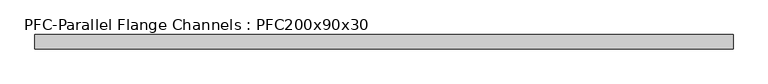
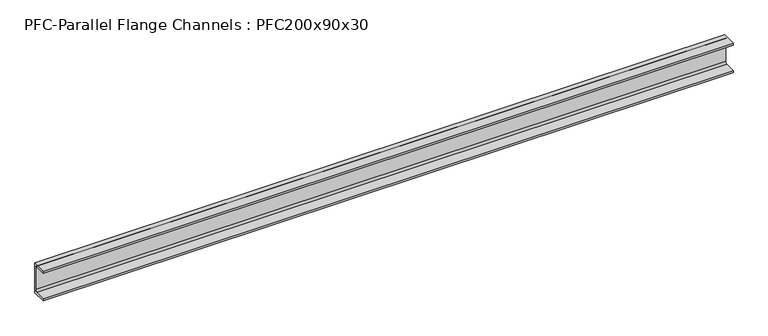
"""IFC4 building model written with IfcOpenShell, lengths in millimetres: beam geometry, PFC-Parallel Flange Channels : PFC200x90x30."""

from ifc_helpers import new_model, si_unit, point, frame, frame_2d, origin, place, context, project, spatial, polyline, circle_curve, trimmed, segment, composite_curve, outline, extrude, source, transform, mapped, element, save


def pfc_parallel_flange_channels_pfc200x90x30_b747713b(model_context):
    return source(origin(), model_context, "Body", "SweptSolid", [
        extrude(outline(composite_curve([segment(polyline([(31.0, 100.0), (31.0, -100.0), (-59.0, -100.0), (-59.0, -86.0), (12.0, -86.0)]), True, "CONTINUOUS"), segment(trimmed(circle_curve(frame_2d((12.0, -74.0)), 12.0), [point((12.0, -86.0))], [point((24.0, -74.0))], True, "CARTESIAN"), True, "CONTINUOUS"), segment(polyline([(24.0, -74.0), (24.0, 74.0)]), True, "CONTINUOUS"), segment(trimmed(circle_curve(frame_2d((12.0, 74.0)), 12.0), [point((24.0, 74.0))], [point((12.0, 86.0))], True, "CARTESIAN"), True, "CONTINUOUS"), segment(polyline([(12.0, 86.0), (-59.0, 86.0), (-59.0, 100.0), (31.0, 100.0)]), True, "CONTINUOUS")], self_intersect=False)), frame((-2199.9, 0.0, 0.0), z_axis=(1.0, 0.0, 0.0), x_axis=(0.0, 1.0, 0.0)), (0.0, 0.0, 1.0), 4399.8),
    ])


if __name__ == "__main__":
    model = new_model("IFC4")
    model_context = context("Model", 3, world=origin())
    ifc_project = project(units=[si_unit("LENGTHUNIT", "METRE", prefix="MILLI")], contexts=[model_context])
    site = spatial("IfcSite", under=ifc_project)
    building = spatial("IfcBuilding", under=site)
    placement = place(None, origin())
    pfc_parallel_flange_channels_pfc200x90x30_shape = pfc_parallel_flange_channels_pfc200x90x30_b747713b(model_context)
    element("IfcBeam", 1, ObjectType="PFC-Parallel Flange Channels : PFC200x90x30", at=placement, inside=building, context=model_context, shape_type="MappedRepresentation", body=[
        mapped(pfc_parallel_flange_channels_pfc200x90x30_shape, transform((0.0, 0.0, 0.0), x_axis=(1.0, 0.0, 0.0), y_axis=(0.0, 1.0, 0.0), z_axis=(0.0, 0.0, 1.0))),
    ])
    save(model, "model.ifc")
